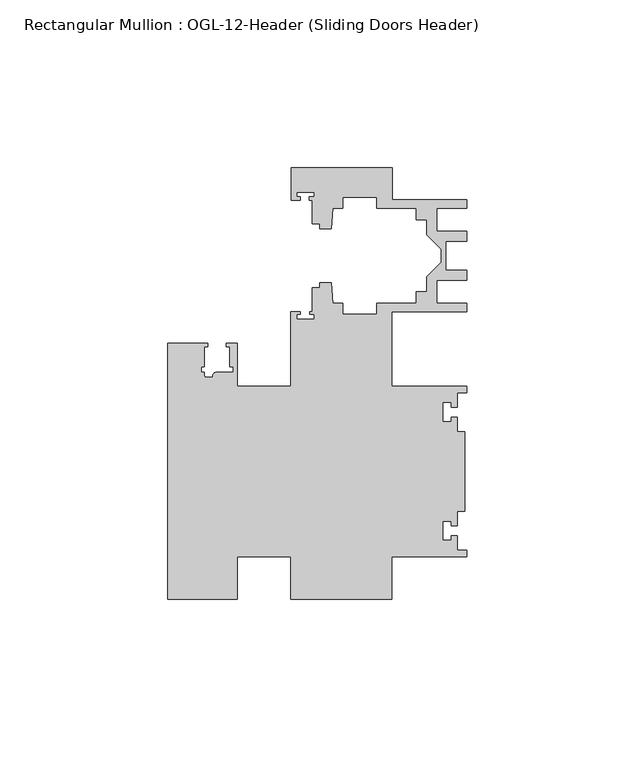
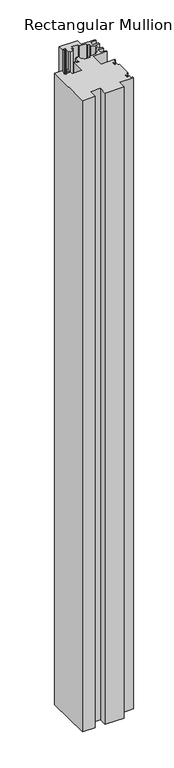
"""IFC4 building model written with IfcOpenShell, lengths in millimetres: member geometry, Rectangular Mullion : OGL-12-Header (Sliding Doors Header)."""

import ifcopenshell
import ifcopenshell.guid

model = None  # the IFC model being written
_history = None  # IfcOwnerHistory: only IFC2X3 demands one
_inside = {}  # id of a spatial element -> (the spatial element, [elements in it])
_under = {}  # id of a project, library or spatial element -> (it, [spatial elements below it])
_declared = {}  # id of a project -> (the project, [libraries it declares])
_typed = {}  # id of a type object -> (the type object, [elements of that type])
_made_of = {}  # id of a material, layer set ... -> (it, [elements and type objects made of it])


def new_model(schema):
    """Start an empty IFC model of exactly this schema.

    Asked for "IFC4X3", IfcOpenShell would pick the latest addendum, in which some entities
    have other attributes; the version numbers below select the first issue.
    IFC2X3 requires an IfcOwnerHistory on every rooted entity: one is made here for all.
    """
    global model, _history
    if schema == "IFC4X3":
        model = ifcopenshell.file(schema_version=(4, 3, 0, 0))
    else:
        model = ifcopenshell.file(schema=schema)
    _inside.clear()
    _under.clear()
    _declared.clear()
    _typed.clear()
    _made_of.clear()
    _history = None
    if model.schema == "IFC2X3":
        org = make("IfcOrganization", Name="unknown")
        user = make(
            "IfcPersonAndOrganization",
            ThePerson=make("IfcPerson", FamilyName="unknown"),
            TheOrganization=org,
        )
        app = make(
            "IfcApplication",
            ApplicationDeveloper=org,
            Version="unknown",
            ApplicationFullName="unknown",
            ApplicationIdentifier="unknown",
        )
        _history = make(
            "IfcOwnerHistory",
            OwningUser=user,
            OwningApplication=app,
            ChangeAction="ADDED",
            CreationDate=0,
        )
    return model


def make(cls, **values):
    """One entity of the class cls with the attributes given. An attribute that is None is left unset."""
    return model.create_entity(
        cls, **{name: value for name, value in values.items() if value is not None}
    )


def rooted(cls, **values):
    """An entity with a GlobalId (a new one), such as an element, a storey or a relation."""
    return make(cls, GlobalId=ifcopenshell.guid.new(), OwnerHistory=_history, **values)


def si_unit(unit_type, name, prefix=None):
    """IfcSIUnit, for example si_unit("LENGTHUNIT", "METRE", prefix="MILLI")."""
    return make("IfcSIUnit", UnitType=unit_type, Prefix=prefix, Name=name)


def assignment(units):
    """IfcUnitAssignment: the units of a project."""
    return None if units is None else make("IfcUnitAssignment", Units=units)


def point(xyz):
    """IfcCartesianPoint."""
    return None if xyz is None else make("IfcCartesianPoint", Coordinates=xyz)


def direction(xyz):
    """IfcDirection."""
    return None if xyz is None else make("IfcDirection", DirectionRatios=xyz)


def frame(location, z_axis=None, x_axis=None):
    """IfcAxis2Placement3D, a coordinate frame: its origin and axes. An axis left out is left unset."""
    return make(
        "IfcAxis2Placement3D",
        Location=point(location),
        Axis=direction(z_axis),
        RefDirection=direction(x_axis),
    )


def frame_2d(location, x_axis=None):
    """IfcAxis2Placement2D, a coordinate frame in the plane: its origin and x axis."""
    return make(
        "IfcAxis2Placement2D", Location=point(location), RefDirection=direction(x_axis)
    )


def origin():
    """The frame at (0, 0, 0) with its axes left unset."""
    return frame((0.0, 0.0, 0.0))


def place(relative_to, where):
    """IfcLocalPlacement: puts the frame where relative to a parent placement (None: the world)."""
    return make(
        "IfcLocalPlacement", PlacementRelTo=relative_to, RelativePlacement=where
    )


def context(
    kind, dimensions, precision=None, world=None, true_north=None, identifier=None
):
    """IfcGeometricRepresentationContext, for example the 3D "Model" context."""
    return make(
        "IfcGeometricRepresentationContext",
        ContextIdentifier=identifier,
        ContextType=kind,
        CoordinateSpaceDimension=dimensions,
        Precision=precision,
        WorldCoordinateSystem=world,
        TrueNorth=true_north,
    )


def project(units=None, contexts=None):
    """IfcProject with its units and contexts."""
    return rooted(
        "IfcProject",
        Name="project",
        RepresentationContexts=contexts,
        UnitsInContext=assignment(units),
    )


def spatial(cls, under=None, at=None, **own):
    """A site, building, storey or space (cls), placed at a placement, below another one or the project."""
    s = rooted(cls, ObjectPlacement=at, **own)
    if under is not None:
        _under.setdefault(under.id(), (under, []))[1].append(s)
    return s


def polyline(points):
    """IfcPolyline through the points."""
    return make("IfcPolyline", Points=[point(p) for p in points])


def circle_curve(where, radius):
    """IfcCircle in the frame where."""
    return make("IfcCircle", Position=where, Radius=radius)


def trimmed(basis, trim1, trim2, sense, master):
    """IfcTrimmedCurve: the piece of a basis curve between two trims."""
    return make(
        "IfcTrimmedCurve",
        BasisCurve=basis,
        Trim1=trim1,
        Trim2=trim2,
        SenseAgreement=sense,
        MasterRepresentation=master,
    )


def segment(curve, same_sense, transition):
    """IfcCompositeCurveSegment."""
    return make(
        "IfcCompositeCurveSegment",
        Transition=transition,
        SameSense=same_sense,
        ParentCurve=curve,
    )


def composite_curve(segments, self_intersect=None):
    """IfcCompositeCurve: segments joined end to end."""
    return make("IfcCompositeCurve", Segments=segments, SelfIntersect=self_intersect)


def outline(outer, holes=None, kind="AREA"):
    """IfcArbitraryClosedProfileDef: a profile drawn as a closed curve; with holes, ...WithVoids."""
    if holes is None:
        return make("IfcArbitraryClosedProfileDef", ProfileType=kind, OuterCurve=outer)
    return make(
        "IfcArbitraryProfileDefWithVoids",
        ProfileType=kind,
        OuterCurve=outer,
        InnerCurves=holes,
    )


def extrude(swept, where, along, depth):
    """IfcExtrudedAreaSolid: the profile swept, set in the frame where, extruded along a direction by depth."""
    return make(
        "IfcExtrudedAreaSolid",
        SweptArea=swept,
        Position=where,
        ExtrudedDirection=direction(along),
        Depth=depth,
    )


def shape(context_of_items, identifier, shape_type, items):
    """IfcShapeRepresentation: the items that make up one representation, for example the "Body"."""
    return make(
        "IfcShapeRepresentation",
        ContextOfItems=context_of_items,
        RepresentationIdentifier=identifier,
        RepresentationType=shape_type,
        Items=items,
    )


def source(mapping_origin, context_of_items, identifier, shape_type, items):
    """IfcRepresentationMap: a shape defined once, which mapped items show again and again."""
    return make(
        "IfcRepresentationMap",
        MappingOrigin=mapping_origin,
        MappedRepresentation=shape(context_of_items, identifier, shape_type, items),
    )


def transform(
    local_origin,
    x_axis=None,
    y_axis=None,
    z_axis=None,
    scale=None,
    scale2=None,
    scale3=None,
    uniform=True,
):
    """IfcCartesianTransformationOperator3D, or its non-uniform kind. x_axis, y_axis, z_axis: its Axis1, 2, 3."""
    if uniform:
        return make(
            "IfcCartesianTransformationOperator3D",
            Axis1=direction(x_axis),
            Axis2=direction(y_axis),
            LocalOrigin=point(local_origin),
            Scale=scale,
            Axis3=direction(z_axis),
        )
    return make(
        "IfcCartesianTransformationOperator3DnonUniform",
        Axis1=direction(x_axis),
        Axis2=direction(y_axis),
        LocalOrigin=point(local_origin),
        Scale=scale,
        Axis3=direction(z_axis),
        Scale2=scale2,
        Scale3=scale3,
    )


def mapped(mapping_source, mapping_target):
    """IfcMappedItem: shows the shape of a source again, moved by a transform."""
    return make(
        "IfcMappedItem", MappingSource=mapping_source, MappingTarget=mapping_target
    )


def made_of(thing, what):
    """Note that an element or type object is made of a material, layer set ...; save() writes the relation."""
    if what is not None:
        _made_of.setdefault(what.id(), (what, []))[1].append(thing)
    return thing


def element(
    cls,
    number,
    at=None,
    inside=None,
    cuts=None,
    type_object=None,
    material=None,
    context=None,
    identifier="Body",
    shape_type=None,
    held_by="IfcProductDefinitionShape",
    body=None,
    shapes=None,
    **own,
):
    """One element of the class cls, such as IfcWall. Its Tag is "e" and its number.

    at: its placement. inside: the storey or other place that contains it. cuts: it is an
    opening in that element (IfcRelVoidsElement). A single representation is given by context,
    identifier, shape_type and body (its items); several are given by shapes. held_by: the class
    of the entity that holds the representations. save() writes the other relations.
    """
    e = rooted(cls, Tag="e%d" % number, ObjectPlacement=at, **own)
    if body is not None:
        shapes = [shape(context, identifier, shape_type, body)]
    if shapes is not None:
        e.Representation = make(held_by, Representations=shapes)
    if inside is not None:
        _inside.setdefault(inside.id(), (inside, []))[1].append(e)
    if cuts is not None:
        rooted(
            "IfcRelVoidsElement", RelatingBuildingElement=cuts, RelatedOpeningElement=e
        )
    if type_object is not None:
        _typed.setdefault(type_object.id(), (type_object, []))[1].append(e)
    return made_of(e, material)


def aggregate(whole, parts):
    """IfcRelAggregates: a whole, such as a stair, and the parts it consists of."""
    return rooted("IfcRelAggregates", RelatingObject=whole, RelatedObjects=parts)


def save(model, path):
    """Write the relations noted so far, then the file.

    IfcRelAggregates (storeys below a building ...), IfcRelContainedInSpatialStructure (elements
    in a storey), IfcRelDefinesByType, IfcRelAssociatesMaterial and IfcRelDeclares: one each for
    every whole, place, type object, material and project.
    """
    for whole, parts in _under.values():
        aggregate(whole, parts)
    for where, things in _inside.values():
        rooted(
            "IfcRelContainedInSpatialStructure",
            RelatedElements=things,
            RelatingStructure=where,
        )
    for kind, things in _typed.values():
        rooted("IfcRelDefinesByType", RelatedObjects=things, RelatingType=kind)
    for what, things in _made_of.values():
        rooted("IfcRelAssociatesMaterial", RelatedObjects=things, RelatingMaterial=what)
    for by, libraries in _declared.values():
        rooted("IfcRelDeclares", RelatingContext=by, RelatedDefinitions=libraries)
    model.write(path)


def rectangular_mullion_ogl_12_header_sliding_doors_header_dea94b8a(model_context):
    return source(origin(), model_context, "Body", "SweptSolid", [
        extrude(outline(composite_curve([segment(polyline([(0.0, -25.4), (-22.2332898, -25.4), (-22.2332898, -38.0996792), (-52.3921824, -38.0996792), (-52.3921824, -25.3999991), (-68.2683157, -25.3999991), (-68.2683157, -38.1000024), (-88.9083412, -38.1000024), (-88.9083412, 38.0999976), (-77.0967193, 38.0999976), (-77.0967193, 37.0999972), (-78.0467296, 37.0999972), (-78.0467296, 31.2147976), (-79.046696, 31.2147976), (-79.046696, 29.5147976), (-78.0467193, 29.5147976), (-78.0467193, 28.5115259)]), True, "CONTINUOUS"), segment(trimmed(circle_curve(frame_2d((-77.5467193, 28.5115259)), 0.5), [point((-78.0467193, 28.5115259))], [point((-77.5467193, 28.0115259))], True, "CARTESIAN"), True, "CONTINUOUS"), segment(polyline([(-77.5467193, 28.0115259), (-75.6077655, 28.0115259)]), True, "CONTINUOUS"), segment(trimmed(circle_curve(frame_2d((-74.44672, 28.3147975)), 1.2000001), [point((-75.6077655, 28.0115259))], [point((-74.44672, 29.5147976))], False, "CARTESIAN"), True, "CONTINUOUS"), segment(polyline([(-74.44672, 29.5147976), (-69.5467192, 29.5147976), (-69.5467192, 31.2147976), (-70.5467089, 31.2147976), (-70.5467089, 37.0999979), (-71.4967192, 37.0999979), (-71.4967192, 38.0999976), (-68.2683157, 38.0999976), (-68.2683157, 25.4000008), (-52.3921824, 25.4000008), (-52.3921824, 47.583496), (-49.5910554, 47.583496), (-49.5910554, 46.7096046), (-50.6220715, 46.7096046), (-50.6220715, 45.3318149), (-45.3220715, 45.3318149), (-45.3220715, 46.7096046), (-46.769305, 46.7096046), (-46.769305, 47.583496), (-45.9710366, 47.583496), (-45.9710366, 54.6622994), (-43.7582575, 54.6622994), (-43.7582575, 56.213352), (-40.3395523, 56.213352), (-39.7961967, 50.0027691), (-36.8419772, 50.0027691), (-36.8419772, 46.838352), (-26.7462575, 46.838352), (-26.7462575, 50.013352), (-15.0768765, 50.013352), (-15.0768765, 53.413352), (-11.8582575, 53.413352), (-11.8582575, 57.8946468), (-7.4980859, 62.2548184), (-7.4980859, 66.1340176), (-11.8582575, 70.4941892), (-11.8582575, 74.975484), (-15.0768765, 74.975484), (-15.0768765, 78.375484), (-26.7462575, 78.375484), (-26.7462575, 81.550484), (-36.8419772, 81.550484), (-36.8419772, 78.3860669), (-39.7961967, 78.3860669), (-40.3395523, 72.175484), (-43.7582575, 72.175484), (-43.7582575, 73.7629518), (-45.9710366, 73.7629518), (-45.9710366, 80.7425364), (-46.8181909, 80.7425364), (-46.8181909, 81.7156466), (-45.3220715, 81.7156466), (-45.3220715, 83.0934363), (-50.6220715, 83.0934363), (-50.6220715, 81.7156466), (-49.5692346, 81.7156466), (-49.5692346, 80.7425364), (-52.2095715, 80.7425364), (-52.2095715, 90.3252352), (-22.2032575, 90.3252352), (-22.2032575, 80.875484), (-0.0082575, 80.875484), (-0.0082575, 78.375484), (-8.8582575, 78.375484), (-8.8582575, 71.5325565), (-0.0082575, 71.5325565), (-0.0082575, 68.5325565), (-6.1582575, 68.5325565), (-6.1582575, 59.8562795), (-0.0082575, 59.8562795), (-0.0082575, 56.8562795), (-8.8582575, 56.8562795), (-8.8582575, 50.013352), (-0.0082575, 50.013352), (-0.0082575, 47.513352), (-22.2332898, 47.513352), (-22.2332898, 25.4), (0.0, 25.4), (0.0, 23.488176), (-2.740223, 23.488176), (-2.740223, 19.1395859), (-4.5407068, 19.1395859), (-4.5407068, 20.5271706), (-7.0406862, 20.5271706), (-7.0406862, 14.7651725), (-4.5407047, 14.7651725), (-4.5407047, 16.1605952), (-2.740223, 16.1605952), (-2.740223, 11.8041704), (-0.508, 11.8041704), (-0.508, -11.8041704), (-2.740223, -11.8041704), (-2.740223, -16.1605952), (-4.5407047, -16.1605952), (-4.5407047, -14.7651725), (-7.0406862, -14.7651725), (-7.0406862, -20.5271706), (-4.5407068, -20.5271706), (-4.5407068, -19.1395859), (-2.740223, -19.1395859), (-2.740223, -23.488176), (0.0, -23.488176), (0.0, -25.4)]), True, "CONTINUOUS")], self_intersect=False)), frame((0.0, 0.0, -1066.8), z_axis=(0.0, 0.0, 1.0), x_axis=(1.0, 0.0, 0.0)), (0.0, 0.0, 1.0), 1066.8),
    ])


if __name__ == "__main__":
    model = new_model("IFC4")
    model_context = context("Model", 3, world=origin())
    ifc_project = project(units=[si_unit("LENGTHUNIT", "METRE", prefix="MILLI")], contexts=[model_context])
    site = spatial("IfcSite", under=ifc_project)
    building = spatial("IfcBuilding", under=site)
    placement = place(None, origin())
    rectangular_mullion_ogl_12_header_sliding_doors_header_shape = rectangular_mullion_ogl_12_header_sliding_doors_header_dea94b8a(model_context)
    element("IfcMember", 1, ObjectType="Rectangular Mullion : OGL-12-Header (Sliding Doors Header)", at=placement, inside=building, context=model_context, shape_type="MappedRepresentation", body=[
        mapped(rectangular_mullion_ogl_12_header_sliding_doors_header_shape, transform((0.0, 0.0, 0.0), x_axis=(1.0, 0.0, 0.0), y_axis=(0.0, 1.0, 0.0), z_axis=(0.0, 0.0, 1.0))),
    ])
    save(model, "model.ifc")
